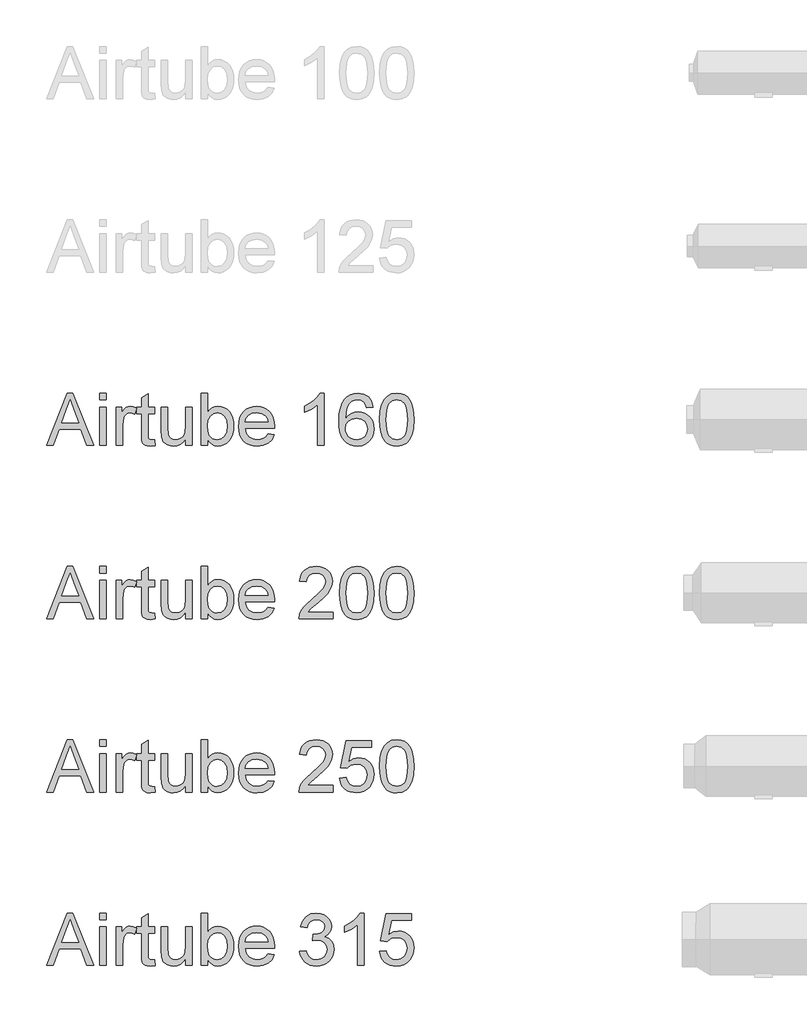
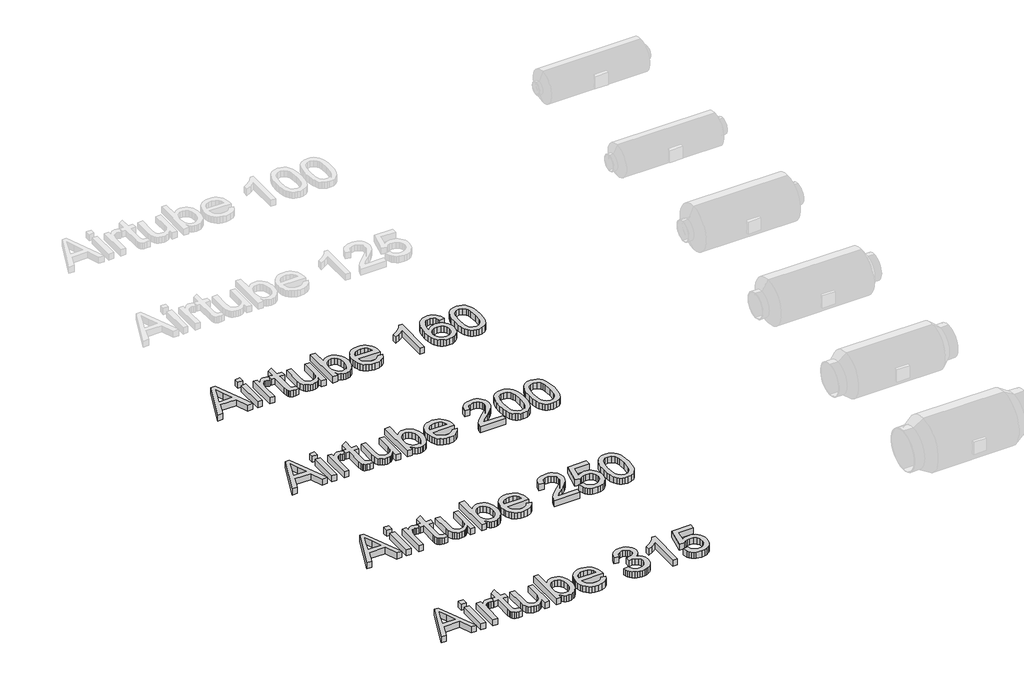
# One storey, part 27 of 74: 4 proxies.
"""IFC4 building model written with IfcOpenShell, lengths in millimetres."""

from ifc_helpers import new_model, si_unit, origin, origin_with_axes, place, context, project, spatial, polyline, outline, extrude, element, save

model = new_model("IFC4")

# Units and contexts
model_context = context("Model", 3, world=origin())
ifc_project = project(units=[si_unit("LENGTHUNIT", "METRE", prefix="MILLI")], contexts=[model_context])

# Site, building, storey
site = spatial("IfcSite", under=ifc_project)
building = spatial("IfcBuilding", under=site)
storey = spatial("IfcBuildingStorey", under=building, Elevation=0.0)

# Proxies
placement = place(None, origin())
element("IfcBuildingElementProxy", 1, Name="Generic Models", at=placement, inside=storey, context=model_context, shape_type="SweptSolid", body=[
    extrude(outline(polyline([(459.3114691, -11506.2904473), (579.6088816, -11204.9215169), (611.6881916, -11204.9215169), (731.985604, -11506.2904473), (692.1807721, -11506.2904473), (657.6734409, -11412.1126566), (533.5500558, -11412.1126566), (499.116301, -11506.2904473), (459.3114691, -11506.2904473)]), holes=[polyline([(547.3824188, -11374.4415403), (643.9146543, -11374.4415403), (616.7649631, -11300.3501064), (595.6485366, -11242.5926332), (576.8865548, -11293.8753833), (547.3824188, -11374.4415403)])]), origin_with_axes(), (0.0, 0.0, 1.0), 50.0),
    extrude(outline(polyline([(767.5230047, -11242.5926332), (767.5230047, -11204.9215169), (805.194121, -11204.9215169), (805.194121, -11242.5926332), (767.5230047, -11242.5926332)])), origin_with_axes(), (0.0, 0.0, 1.0), 50.0),
    extrude(outline(polyline([(767.5230047, -11506.2904473), (767.5230047, -11284.972639), (805.194121, -11284.972639), (805.194121, -11506.2904473), (767.5230047, -11506.2904473)])), origin_with_axes(), (0.0, 0.0, 1.0), 50.0),
    extrude(outline(polyline([(861.7007955, -11506.2904473), (861.7007955, -11284.972639), (894.6630222, -11284.972639), (894.6630222, -11317.7141366), (906.8399163, -11298.7314257), (918.0603171, -11287.547813), (929.3175062, -11282.0847654), (941.6047648, -11280.2637495), (960.3667466, -11283.1700173), (979.4230339, -11291.8888206), (966.8414697, -11325.6603877), (953.5977179, -11319.8662463), (940.353966, -11317.9348658), (929.105974, -11319.7926699), (919.0535985, -11325.3660821), (910.9326035, -11334.2320382), (905.4787529, -11345.9674738), (900.8986221, -11367.010324), (899.3719118, -11389.9661605), (899.3719118, -11506.2904473), (861.7007955, -11506.2904473)])), origin_with_axes(), (0.0, 0.0, 1.0), 50.0),
    extrude(outline(polyline([(1083.0186038, -11474.873325), (1087.7274933, -11507.3940933), (1059.5477325, -11510.9993369), (1041.4663324, -11509.4358384), (1027.9834573, -11504.745343), (1018.4553136, -11497.5164618), (1012.2381079, -11488.337806), (1008.8168053, -11472.5740625), (1007.6763712, -11445.5899181), (1007.6763712, -11322.6437553), (979.4230339, -11322.6437553), (979.4230339, -11284.972639), (1007.6763712, -11284.972639), (1007.6763712, -11231.1882913), (1045.3474875, -11209.0417952), (1045.3474875, -11284.972639), (1083.0186038, -11284.972639), (1083.0186038, -11322.6437553), (1045.3474875, -11322.6437553), (1045.3474875, -11444.4862722), (1047.3340502, -11463.9104415), (1053.7719852, -11470.7898348), (1066.6110668, -11473.3282206), (1083.0186038, -11474.873325)])), origin_with_axes(), (0.0, 0.0, 1.0), 50.0),
    extrude(outline(polyline([(1261.9564062, -11506.2904473), (1261.9564062, -11468.251449), (1248.3263783, -11486.95365), (1232.4522702, -11500.3123649), (1214.3340819, -11508.3275939), (1193.9718135, -11510.9993369), (1175.623699, -11509.1231387), (1158.5447774, -11503.4945442), (1144.2157737, -11495.0332583), (1134.1174129, -11484.658986), (1122.897012, -11456.9206836), (1120.6897201, -11421.8983176), (1120.6897201, -11284.972639), (1158.3608364, -11284.972639), (1158.3608364, -11404.1664055), (1160.6417048, -11442.5732858), (1166.1323435, -11455.3847763), (1175.5409256, -11465.1244521), (1188.2420514, -11471.2772784), (1203.6103218, -11473.3282206), (1219.8615089, -11471.2312932), (1235.0642324, -11464.9405111), (1247.5998114, -11455.0352884), (1255.8495651, -11442.0950392), (1260.4296959, -11424.3723241), (1261.9564062, -11400.1197035), (1261.9564062, -11284.972639), (1299.6275225, -11284.972639), (1299.6275225, -11506.2904473), (1261.9564062, -11506.2904473)])), origin_with_axes(), (0.0, 0.0, 1.0), 50.0),
    extrude(outline(polyline([(1389.0964238, -11506.2904473), (1351.4253075, -11506.2904473), (1351.4253075, -11204.9215169), (1389.0964238, -11204.9215169), (1389.0964238, -11316.684067), (1401.4848499, -11300.7501781), (1415.4735628, -11289.3688289), (1431.0625624, -11282.5400193), (1448.2518486, -11280.2637495), (1467.6576238, -11282.3146916), (1485.9965413, -11288.467518), (1502.2201373, -11298.3359525), (1515.2799481, -11311.5337191), (1525.5162646, -11327.932059), (1533.2693777, -11347.4022136), (1538.1530112, -11369.1348425), (1539.780889, -11392.3206052), (1538.0955296, -11419.0748233), (1533.0394514, -11442.610074), (1524.6126545, -11462.9263572), (1512.8151387, -11480.0236729), (1498.6539812, -11493.5755259), (1483.1362588, -11503.2554209), (1466.2619715, -11509.0633579), (1448.0311194, -11510.9993369), (1430.2762146, -11508.5023378), (1414.5354637, -11501.0113407), (1400.8088668, -11488.5263455), (1389.0964238, -11471.0473522), (1389.0964238, -11506.2904473)]), holes=[polyline([(1389.0964238, -11394.0864388), (1391.6715977, -11425.5035612), (1399.3971196, -11446.7671405), (1408.5251916, -11458.387613), (1419.1339887, -11466.6879506), (1431.2235107, -11471.6681531), (1444.7937578, -11473.3282206), (1466.5355837, -11468.43539), (1485.1136245, -11453.7568984), (1497.8607356, -11429.3847162), (1502.1097727, -11395.410814), (1498.0354796, -11360.940271), (1485.8126003, -11336.8440004), (1467.8139737, -11322.6621494), (1446.4124386, -11317.9348658), (1424.6706127, -11322.8276963), (1406.0925719, -11337.506188), (1393.3454608, -11361.4369117), (1389.0964238, -11394.0864388)])]), origin_with_axes(), (0.0, 0.0, 1.0), 50.0),
    extrude(outline(polyline([(1737.1127912, -11440.3659938), (1774.0481435, -11445.0748833), (1760.7400123, -11472.9051563), (1739.5040242, -11493.7088831), (1710.8184256, -11506.6767234), (1675.1614632, -11510.9993369), (1651.7871609, -11509.134635), (1630.9604415, -11503.5405294), (1612.6813049, -11494.2170201), (1596.949751, -11481.1641071), (1584.2992089, -11464.7450738), (1575.2631074, -11445.3232037), (1569.8414465, -11422.8984968), (1568.0342262, -11397.4709532), (1569.8598406, -11371.1811861), (1575.3366838, -11348.0092189), (1584.4647558, -11327.9550517), (1597.2440566, -11311.0186843), (1612.9342237, -11297.5634003), (1630.7948946, -11287.9524832), (1650.8260692, -11282.1859329), (1673.0277476, -11280.2637495), (1694.5143554, -11282.1813344), (1713.9454225, -11287.9340891), (1731.320949, -11297.5220136), (1746.6409349, -11310.9451079), (1759.1466234, -11327.8446871), (1768.0792581, -11347.8620661), (1773.438839, -11370.9972451), (1775.2253659, -11397.250224), (1775.0046367, -11407.403767), (1605.7053425, -11407.403767), (1612.2260509, -11435.601922), (1627.373592, -11456.3320724), (1649.2349796, -11469.0791835), (1675.8972272, -11473.3282206), (1695.9467959, -11471.3600519), (1712.8325795, -11465.4555459), (1726.5545779, -11455.2468205), (1737.1127912, -11440.3659938)]), holes=[polyline([(1605.7053425, -11369.7326507), (1737.5542496, -11369.7326507), (1732.459084, -11349.8302348), (1722.4710878, -11335.5932016), (1700.5085327, -11322.3494498), (1672.8805948, -11317.9348658), (1647.4875401, -11321.4573359), (1626.4906752, -11332.0247462), (1611.8949571, -11348.4966626), (1605.7053425, -11369.7326507)])]), origin_with_axes(), (0.0, 0.0, 1.0), 50.0),
    extrude(outline(polyline([(2062.4676277, -11506.2904473), (2024.7965114, -11506.2904473), (2024.7965114, -11271.4345816), (1989.1119579, -11296.8552275), (1949.4542788, -11315.8747266), (1949.4542788, -11280.2637495), (1979.0411883, -11264.1689122), (2004.6733663, -11245.0206544), (2024.8792849, -11224.6583859), (2038.187416, -11204.9215169), (2062.4676277, -11204.9215169), (2062.4676277, -11506.2904473)])), origin_with_axes(), (0.0, 0.0, 1.0), 50.0),
    extrude(outline(polyline([(2345.001, -11284.972639), (2307.3298837, -11289.6815286), (2301.2598308, -11271.0115173), (2293.0560623, -11258.2644062), (2275.9679436, -11246.5105764), (2255.3113696, -11242.5926332), (2237.8001866, -11244.8735016), (2221.3190732, -11251.7161067), (2207.1648135, -11266.1278838), (2195.6041218, -11285.9659204), (2187.7958264, -11314.0261196), (2184.8987557, -11353.1043845), (2200.0095087, -11335.4736399), (2218.1184999, -11323.0484255), (2238.2140539, -11315.6815886), (2259.2844951, -11313.2259763), (2277.3842893, -11314.9044379), (2294.0861319, -11319.9398227), (2309.3900229, -11328.3321307), (2323.2959623, -11340.0813619), (2334.8520555, -11354.4885406), (2343.1064078, -11370.8546908), (2348.0590191, -11389.1798127), (2349.7098896, -11409.4639062), (2346.6012867, -11436.4388535), (2337.2754781, -11461.4456321), (2322.505016, -11482.6540292), (2303.0624526, -11498.2338316), (2279.8307046, -11507.8079606), (2253.6926888, -11510.9993369), (2231.2357923, -11508.8840154), (2210.953998, -11502.538051), (2192.8473061, -11491.9614436), (2176.9157164, -11477.1541933), (2163.9271827, -11457.4909007), (2154.6496587, -11432.3461663), (2149.0831442, -11401.7199902), (2147.2276394, -11365.6123724), (2149.2877786, -11325.1315573), (2155.4681961, -11290.5828395), (2165.768892, -11261.9662188), (2180.1898662, -11239.2816952), (2195.8202525, -11224.2491172), (2213.9430392, -11213.5115615), (2234.5582265, -11207.069028), (2257.6658144, -11204.9215169), (2290.7200116, -11210.2374117), (2317.1891212, -11226.1850962), (2335.7303737, -11251.5137716), (2345.001, -11284.972639)]), holes=[polyline([(2184.8987557, -11408.875295), (2187.0784565, -11425.5679405), (2193.617559, -11441.506428), (2203.7711021, -11455.2100323), (2216.7941247, -11465.1980285), (2232.511883, -11471.2956725), (2250.7496329, -11473.3282206), (2275.6092587, -11469.1159717), (2295.1529897, -11456.4792252), (2307.8173274, -11436.6135975), (2312.0387733, -11410.714705), (2307.8725097, -11385.8550792), (2295.3737189, -11366.8999594), (2275.4988941, -11354.8978093), (2249.2045285, -11350.8970926), (2224.3816909, -11354.8978093), (2203.6239493, -11366.8999594), (2189.5800541, -11385.3952267), (2184.8987557, -11408.875295)])]), origin_with_axes(), (0.0, 0.0, 1.0), 50.0),
    extrude(outline(polyline([(2382.6721163, -11358.0340033), (2385.4404283, -11309.7954767), (2393.7453644, -11271.324217), (2407.504151, -11242.0316132), (2426.6340148, -11221.3290539), (2451.2729114, -11209.0234011), (2481.5587966, -11204.9215169), (2504.7721505, -11207.3495381), (2525.5574833, -11214.6336016), (2542.9399075, -11226.4885989), (2555.9445361, -11242.6294214), (2565.7669853, -11262.9181134), (2573.6028718, -11287.2167192), (2578.7348257, -11318.0728216), (2580.4454769, -11358.0340033), (2577.7047561, -11405.9966184), (2569.4825935, -11444.3759076), (2555.8065803, -11473.6961026), (2536.7043077, -11494.4814353), (2512.0102288, -11506.8698615), (2481.5587966, -11510.9993369), (2460.8102521, -11509.2059122), (2442.4161523, -11503.825638), (2426.3764974, -11494.8585143), (2412.6912871, -11482.3045413), (2399.5578999, -11459.6108207), (2390.176909, -11431.3344908), (2384.5483145, -11397.4755517), (2382.6721163, -11358.0340033)]), holes=[polyline([(2420.3432326, -11357.9604269), (2424.7578166, -11417.2170193), (2430.2760465, -11437.4850179), (2438.0015684, -11451.5128183), (2457.7200433, -11467.87437), (2481.5587966, -11473.3282206), (2505.3975499, -11467.8559759), (2525.1160249, -11451.4392419), (2532.8415468, -11437.3884489), (2538.3597767, -11417.1250488), (2542.7743606, -11357.9604269), (2538.5069295, -11300.0374067), (2533.1726406, -11279.8360867), (2525.7046361, -11265.4748933), (2506.0229493, -11248.3131982), (2481.1173382, -11242.5926332), (2457.5361024, -11247.6326165), (2438.5901796, -11262.7525665), (2430.6071403, -11278.3875513), (2424.9049694, -11299.4671897), (2420.3432326, -11357.9604269)])]), origin_with_axes(), (0.0, 0.0, 1.0), 50.0),
])
element("IfcBuildingElementProxy", 2, Name="Generic Models", at=placement, inside=storey, context=model_context, shape_type="SweptSolid", body=[
    extrude(outline(polyline([(459.3114691, -12506.2904473), (579.6088816, -12204.9215169), (611.6881916, -12204.9215169), (731.985604, -12506.2904473), (692.1807721, -12506.2904473), (657.6734409, -12412.1126566), (533.5500558, -12412.1126566), (499.116301, -12506.2904473), (459.3114691, -12506.2904473)]), holes=[polyline([(547.3824188, -12374.4415403), (643.9146543, -12374.4415403), (616.7649631, -12300.3501064), (595.6485366, -12242.5926332), (576.8865548, -12293.8753833), (547.3824188, -12374.4415403)])]), origin_with_axes(), (0.0, 0.0, 1.0), 50.0),
    extrude(outline(polyline([(767.5230047, -12242.5926332), (767.5230047, -12204.9215169), (805.194121, -12204.9215169), (805.194121, -12242.5926332), (767.5230047, -12242.5926332)])), origin_with_axes(), (0.0, 0.0, 1.0), 50.0),
    extrude(outline(polyline([(767.5230047, -12506.2904473), (767.5230047, -12284.972639), (805.194121, -12284.972639), (805.194121, -12506.2904473), (767.5230047, -12506.2904473)])), origin_with_axes(), (0.0, 0.0, 1.0), 50.0),
    extrude(outline(polyline([(861.7007955, -12506.2904473), (861.7007955, -12284.972639), (894.6630222, -12284.972639), (894.6630222, -12317.7141366), (906.8399163, -12298.7314257), (918.0603171, -12287.547813), (929.3175062, -12282.0847654), (941.6047648, -12280.2637495), (960.3667466, -12283.1700173), (979.4230339, -12291.8888206), (966.8414697, -12325.6603877), (953.5977179, -12319.8662463), (940.353966, -12317.9348658), (929.105974, -12319.7926699), (919.0535985, -12325.3660821), (910.9326035, -12334.2320382), (905.4787529, -12345.9674738), (900.8986221, -12367.010324), (899.3719118, -12389.9661605), (899.3719118, -12506.2904473), (861.7007955, -12506.2904473)])), origin_with_axes(), (0.0, 0.0, 1.0), 50.0),
    extrude(outline(polyline([(1083.0186038, -12474.873325), (1087.7274933, -12507.3940933), (1059.5477325, -12510.9993369), (1041.4663324, -12509.4358384), (1027.9834573, -12504.745343), (1018.4553136, -12497.5164618), (1012.2381079, -12488.337806), (1008.8168053, -12472.5740625), (1007.6763712, -12445.5899181), (1007.6763712, -12322.6437553), (979.4230339, -12322.6437553), (979.4230339, -12284.972639), (1007.6763712, -12284.972639), (1007.6763712, -12231.1882913), (1045.3474875, -12209.0417952), (1045.3474875, -12284.972639), (1083.0186038, -12284.972639), (1083.0186038, -12322.6437553), (1045.3474875, -12322.6437553), (1045.3474875, -12444.4862722), (1047.3340502, -12463.9104415), (1053.7719852, -12470.7898348), (1066.6110668, -12473.3282206), (1083.0186038, -12474.873325)])), origin_with_axes(), (0.0, 0.0, 1.0), 50.0),
    extrude(outline(polyline([(1261.9564062, -12506.2904473), (1261.9564062, -12468.251449), (1248.3263783, -12486.95365), (1232.4522702, -12500.3123649), (1214.3340819, -12508.3275939), (1193.9718135, -12510.9993369), (1175.623699, -12509.1231387), (1158.5447774, -12503.4945442), (1144.2157737, -12495.0332583), (1134.1174129, -12484.658986), (1122.897012, -12456.9206836), (1120.6897201, -12421.8983176), (1120.6897201, -12284.972639), (1158.3608364, -12284.972639), (1158.3608364, -12404.1664055), (1160.6417048, -12442.5732858), (1166.1323435, -12455.3847763), (1175.5409256, -12465.1244521), (1188.2420514, -12471.2772784), (1203.6103218, -12473.3282206), (1219.8615089, -12471.2312932), (1235.0642324, -12464.9405111), (1247.5998114, -12455.0352884), (1255.8495651, -12442.0950392), (1260.4296959, -12424.3723241), (1261.9564062, -12400.1197035), (1261.9564062, -12284.972639), (1299.6275225, -12284.972639), (1299.6275225, -12506.2904473), (1261.9564062, -12506.2904473)])), origin_with_axes(), (0.0, 0.0, 1.0), 50.0),
    extrude(outline(polyline([(1389.0964238, -12506.2904473), (1351.4253075, -12506.2904473), (1351.4253075, -12204.9215169), (1389.0964238, -12204.9215169), (1389.0964238, -12316.684067), (1401.4848499, -12300.7501781), (1415.4735628, -12289.3688289), (1431.0625624, -12282.5400193), (1448.2518486, -12280.2637495), (1467.6576238, -12282.3146916), (1485.9965413, -12288.467518), (1502.2201373, -12298.3359525), (1515.2799481, -12311.5337191), (1525.5162646, -12327.932059), (1533.2693777, -12347.4022136), (1538.1530112, -12369.1348425), (1539.780889, -12392.3206052), (1538.0955296, -12419.0748233), (1533.0394514, -12442.610074), (1524.6126545, -12462.9263572), (1512.8151387, -12480.0236729), (1498.6539812, -12493.5755259), (1483.1362588, -12503.2554209), (1466.2619715, -12509.0633579), (1448.0311194, -12510.9993369), (1430.2762146, -12508.5023378), (1414.5354637, -12501.0113407), (1400.8088668, -12488.5263455), (1389.0964238, -12471.0473522), (1389.0964238, -12506.2904473)]), holes=[polyline([(1389.0964238, -12394.0864388), (1391.6715977, -12425.5035612), (1399.3971196, -12446.7671405), (1408.5251916, -12458.387613), (1419.1339887, -12466.6879506), (1431.2235107, -12471.6681531), (1444.7937578, -12473.3282206), (1466.5355837, -12468.43539), (1485.1136245, -12453.7568984), (1497.8607356, -12429.3847162), (1502.1097727, -12395.410814), (1498.0354796, -12360.940271), (1485.8126003, -12336.8440004), (1467.8139737, -12322.6621494), (1446.4124386, -12317.9348658), (1424.6706127, -12322.8276963), (1406.0925719, -12337.506188), (1393.3454608, -12361.4369117), (1389.0964238, -12394.0864388)])]), origin_with_axes(), (0.0, 0.0, 1.0), 50.0),
    extrude(outline(polyline([(1737.1127912, -12440.3659938), (1774.0481435, -12445.0748833), (1760.7400123, -12472.9051563), (1739.5040242, -12493.7088831), (1710.8184256, -12506.6767234), (1675.1614632, -12510.9993369), (1651.7871609, -12509.134635), (1630.9604415, -12503.5405294), (1612.6813049, -12494.2170201), (1596.949751, -12481.1641071), (1584.2992089, -12464.7450738), (1575.2631074, -12445.3232037), (1569.8414465, -12422.8984968), (1568.0342262, -12397.4709532), (1569.8598406, -12371.1811861), (1575.3366838, -12348.0092189), (1584.4647558, -12327.9550517), (1597.2440566, -12311.0186843), (1612.9342237, -12297.5634003), (1630.7948946, -12287.9524832), (1650.8260692, -12282.1859329), (1673.0277476, -12280.2637495), (1694.5143554, -12282.1813344), (1713.9454225, -12287.9340891), (1731.320949, -12297.5220136), (1746.6409349, -12310.9451079), (1759.1466234, -12327.8446871), (1768.0792581, -12347.8620661), (1773.438839, -12370.9972451), (1775.2253659, -12397.250224), (1775.0046367, -12407.403767), (1605.7053425, -12407.403767), (1612.2260509, -12435.601922), (1627.373592, -12456.3320724), (1649.2349796, -12469.0791835), (1675.8972272, -12473.3282206), (1695.9467959, -12471.3600519), (1712.8325795, -12465.4555459), (1726.5545779, -12455.2468205), (1737.1127912, -12440.3659938)]), holes=[polyline([(1605.7053425, -12369.7326507), (1737.5542496, -12369.7326507), (1732.459084, -12349.8302348), (1722.4710878, -12335.5932016), (1700.5085327, -12322.3494498), (1672.8805948, -12317.9348658), (1647.4875401, -12321.4573359), (1626.4906752, -12332.0247462), (1611.8949571, -12348.4966626), (1605.7053425, -12369.7326507)])]), origin_with_axes(), (0.0, 0.0, 1.0), 50.0),
    extrude(outline(polyline([(2114.2654127, -12468.619331), (2114.2654127, -12506.2904473), (1916.492052, -12506.2904473), (1920.538754, -12480.3179785), (1929.8277744, -12460.0200894), (1943.4210141, -12440.3292056), (1963.0843067, -12419.7186168), (1990.5834859, -12396.6616128), (2031.2344463, -12360.553995), (2055.6250226, -12333.9009444), (2067.8203108, -12312.2694831), (2071.8854068, -12291.226633), (2068.050237, -12272.3634837), (2056.5447276, -12256.6825136), (2038.8588007, -12246.1151033), (2016.4823783, -12242.5926332), (1992.9839159, -12246.0323299), (1974.7277719, -12256.3514198), (1962.946351, -12272.7405627), (1958.8720579, -12294.3904181), (1921.2009416, -12289.6815286), (1930.3336121, -12253.242817), (1938.8799707, -12238.7068796), (1950.0796782, -12226.6265546), (1963.6752172, -12217.1306006), (1979.4090703, -12210.3477763), (2017.2917187, -12204.9215169), (2037.4815425, -12206.4298331), (2055.4502787, -12210.9547816), (2071.1979273, -12218.4963625), (2084.7244884, -12229.0545758), (2095.5885036, -12241.8476722), (2103.3485144, -12256.0939024), (2108.0045209, -12271.7932666), (2109.5565231, -12288.9457646), (2107.88266, -12306.9627853), (2102.8610708, -12324.6671063), (2093.9491295, -12342.67493), (2080.6042101, -12361.6024586), (2059.3314337, -12384.1996102), (2026.6359214, -12413.2163026), (1983.2994224, -12449.4526791), (1966.3032742, -12468.619331), (2114.2654127, -12468.619331)])), origin_with_axes(), (0.0, 0.0, 1.0), 50.0),
    extrude(outline(polyline([(2151.936529, -12358.0340033), (2154.704841, -12309.7954767), (2163.009777, -12271.324217), (2176.7685636, -12242.0316132), (2195.8984274, -12221.3290539), (2220.537324, -12209.0234011), (2250.8232093, -12204.9215169), (2274.0365632, -12207.3495381), (2294.8218959, -12214.6336016), (2312.2043202, -12226.4885989), (2325.2089487, -12242.6294214), (2335.031398, -12262.9181134), (2342.8672845, -12287.2167192), (2347.9992383, -12318.0728216), (2349.7098896, -12358.0340033), (2346.9691687, -12405.9966184), (2338.7470061, -12444.3759076), (2325.0709929, -12473.6961026), (2305.9687203, -12494.4814353), (2281.2746414, -12506.8698615), (2250.8232093, -12510.9993369), (2230.0746647, -12509.2059122), (2211.680565, -12503.825638), (2195.64091, -12494.8585143), (2181.9556998, -12482.3045413), (2168.8223125, -12459.6108207), (2159.4413217, -12431.3344908), (2153.8127271, -12397.4755517), (2151.936529, -12358.0340033)]), holes=[polyline([(2189.6076453, -12357.9604269), (2194.0222292, -12417.2170193), (2199.5404591, -12437.4850179), (2207.265981, -12451.5128183), (2226.984456, -12467.87437), (2250.8232093, -12473.3282206), (2274.6619625, -12467.8559759), (2294.3804375, -12451.4392419), (2302.1059594, -12437.3884489), (2307.6241893, -12417.1250488), (2312.0387733, -12357.9604269), (2307.7713421, -12300.0374067), (2302.4370532, -12279.8360867), (2294.9690487, -12265.4748933), (2275.2873619, -12248.3131982), (2250.3817509, -12242.5926332), (2226.800515, -12247.6326165), (2207.8545922, -12262.7525665), (2199.8715529, -12278.3875513), (2194.169382, -12299.4671897), (2189.6076453, -12357.9604269)])]), origin_with_axes(), (0.0, 0.0, 1.0), 50.0),
    extrude(outline(polyline([(2382.6721163, -12358.0340033), (2385.4404283, -12309.7954767), (2393.7453644, -12271.324217), (2407.504151, -12242.0316132), (2426.6340148, -12221.3290539), (2451.2729114, -12209.0234011), (2481.5587966, -12204.9215169), (2504.7721505, -12207.3495381), (2525.5574833, -12214.6336016), (2542.9399075, -12226.4885989), (2555.9445361, -12242.6294214), (2565.7669853, -12262.9181134), (2573.6028718, -12287.2167192), (2578.7348257, -12318.0728216), (2580.4454769, -12358.0340033), (2577.7047561, -12405.9966184), (2569.4825935, -12444.3759076), (2555.8065803, -12473.6961026), (2536.7043077, -12494.4814353), (2512.0102288, -12506.8698615), (2481.5587966, -12510.9993369), (2460.8102521, -12509.2059122), (2442.4161523, -12503.825638), (2426.3764974, -12494.8585143), (2412.6912871, -12482.3045413), (2399.5578999, -12459.6108207), (2390.176909, -12431.3344908), (2384.5483145, -12397.4755517), (2382.6721163, -12358.0340033)]), holes=[polyline([(2420.3432326, -12357.9604269), (2424.7578166, -12417.2170193), (2430.2760465, -12437.4850179), (2438.0015684, -12451.5128183), (2457.7200433, -12467.87437), (2481.5587966, -12473.3282206), (2505.3975499, -12467.8559759), (2525.1160249, -12451.4392419), (2532.8415468, -12437.3884489), (2538.3597767, -12417.1250488), (2542.7743606, -12357.9604269), (2538.5069295, -12300.0374067), (2533.1726406, -12279.8360867), (2525.7046361, -12265.4748933), (2506.0229493, -12248.3131982), (2481.1173382, -12242.5926332), (2457.5361024, -12247.6326165), (2438.5901796, -12262.7525665), (2430.6071403, -12278.3875513), (2424.9049694, -12299.4671897), (2420.3432326, -12357.9604269)])]), origin_with_axes(), (0.0, 0.0, 1.0), 50.0),
])
element("IfcBuildingElementProxy", 3, Name="Generic Models", at=placement, inside=storey, context=model_context, shape_type="SweptSolid", body=[
    extrude(outline(polyline([(459.3114691, -13506.2904473), (579.6088816, -13204.9215169), (611.6881916, -13204.9215169), (731.985604, -13506.2904473), (692.1807721, -13506.2904473), (657.6734409, -13412.1126566), (533.5500558, -13412.1126566), (499.116301, -13506.2904473), (459.3114691, -13506.2904473)]), holes=[polyline([(547.3824188, -13374.4415403), (643.9146543, -13374.4415403), (616.7649631, -13300.3501064), (595.6485366, -13242.5926332), (576.8865548, -13293.8753833), (547.3824188, -13374.4415403)])]), origin_with_axes(), (0.0, 0.0, 1.0), 50.0),
    extrude(outline(polyline([(767.5230047, -13242.5926332), (767.5230047, -13204.9215169), (805.194121, -13204.9215169), (805.194121, -13242.5926332), (767.5230047, -13242.5926332)])), origin_with_axes(), (0.0, 0.0, 1.0), 50.0),
    extrude(outline(polyline([(767.5230047, -13506.2904473), (767.5230047, -13284.972639), (805.194121, -13284.972639), (805.194121, -13506.2904473), (767.5230047, -13506.2904473)])), origin_with_axes(), (0.0, 0.0, 1.0), 50.0),
    extrude(outline(polyline([(861.7007955, -13506.2904473), (861.7007955, -13284.972639), (894.6630222, -13284.972639), (894.6630222, -13317.7141366), (906.8399163, -13298.7314257), (918.0603171, -13287.547813), (929.3175062, -13282.0847654), (941.6047648, -13280.2637495), (960.3667466, -13283.1700173), (979.4230339, -13291.8888206), (966.8414697, -13325.6603877), (953.5977179, -13319.8662463), (940.353966, -13317.9348658), (929.105974, -13319.7926699), (919.0535985, -13325.3660821), (910.9326035, -13334.2320382), (905.4787529, -13345.9674738), (900.8986221, -13367.010324), (899.3719118, -13389.9661605), (899.3719118, -13506.2904473), (861.7007955, -13506.2904473)])), origin_with_axes(), (0.0, 0.0, 1.0), 50.0),
    extrude(outline(polyline([(1083.0186038, -13474.873325), (1087.7274933, -13507.3940933), (1059.5477325, -13510.9993369), (1041.4663324, -13509.4358384), (1027.9834573, -13504.745343), (1018.4553136, -13497.5164618), (1012.2381079, -13488.337806), (1008.8168053, -13472.5740625), (1007.6763712, -13445.5899181), (1007.6763712, -13322.6437553), (979.4230339, -13322.6437553), (979.4230339, -13284.972639), (1007.6763712, -13284.972639), (1007.6763712, -13231.1882913), (1045.3474875, -13209.0417952), (1045.3474875, -13284.972639), (1083.0186038, -13284.972639), (1083.0186038, -13322.6437553), (1045.3474875, -13322.6437553), (1045.3474875, -13444.4862722), (1047.3340502, -13463.9104415), (1053.7719852, -13470.7898348), (1066.6110668, -13473.3282206), (1083.0186038, -13474.873325)])), origin_with_axes(), (0.0, 0.0, 1.0), 50.0),
    extrude(outline(polyline([(1261.9564062, -13506.2904473), (1261.9564062, -13468.251449), (1248.3263783, -13486.95365), (1232.4522702, -13500.3123649), (1214.3340819, -13508.3275939), (1193.9718135, -13510.9993369), (1175.623699, -13509.1231387), (1158.5447774, -13503.4945442), (1144.2157737, -13495.0332583), (1134.1174129, -13484.658986), (1122.897012, -13456.9206836), (1120.6897201, -13421.8983176), (1120.6897201, -13284.972639), (1158.3608364, -13284.972639), (1158.3608364, -13404.1664055), (1160.6417048, -13442.5732858), (1166.1323435, -13455.3847763), (1175.5409256, -13465.1244521), (1188.2420514, -13471.2772784), (1203.6103218, -13473.3282206), (1219.8615089, -13471.2312932), (1235.0642324, -13464.9405111), (1247.5998114, -13455.0352884), (1255.8495651, -13442.0950392), (1260.4296959, -13424.3723241), (1261.9564062, -13400.1197035), (1261.9564062, -13284.972639), (1299.6275225, -13284.972639), (1299.6275225, -13506.2904473), (1261.9564062, -13506.2904473)])), origin_with_axes(), (0.0, 0.0, 1.0), 50.0),
    extrude(outline(polyline([(1389.0964238, -13506.2904473), (1351.4253075, -13506.2904473), (1351.4253075, -13204.9215169), (1389.0964238, -13204.9215169), (1389.0964238, -13316.684067), (1401.4848499, -13300.7501781), (1415.4735628, -13289.3688289), (1431.0625624, -13282.5400193), (1448.2518486, -13280.2637495), (1467.6576238, -13282.3146916), (1485.9965413, -13288.467518), (1502.2201373, -13298.3359525), (1515.2799481, -13311.5337191), (1525.5162646, -13327.932059), (1533.2693777, -13347.4022136), (1538.1530112, -13369.1348425), (1539.780889, -13392.3206052), (1538.0955296, -13419.0748233), (1533.0394514, -13442.610074), (1524.6126545, -13462.9263572), (1512.8151387, -13480.0236729), (1498.6539812, -13493.5755259), (1483.1362588, -13503.2554209), (1466.2619715, -13509.0633579), (1448.0311194, -13510.9993369), (1430.2762146, -13508.5023378), (1414.5354637, -13501.0113407), (1400.8088668, -13488.5263455), (1389.0964238, -13471.0473522), (1389.0964238, -13506.2904473)]), holes=[polyline([(1389.0964238, -13394.0864388), (1391.6715977, -13425.5035612), (1399.3971196, -13446.7671405), (1408.5251916, -13458.387613), (1419.1339887, -13466.6879506), (1431.2235107, -13471.6681531), (1444.7937578, -13473.3282206), (1466.5355837, -13468.43539), (1485.1136245, -13453.7568984), (1497.8607356, -13429.3847162), (1502.1097727, -13395.410814), (1498.0354796, -13360.940271), (1485.8126003, -13336.8440004), (1467.8139737, -13322.6621494), (1446.4124386, -13317.9348658), (1424.6706127, -13322.8276963), (1406.0925719, -13337.506188), (1393.3454608, -13361.4369117), (1389.0964238, -13394.0864388)])]), origin_with_axes(), (0.0, 0.0, 1.0), 50.0),
    extrude(outline(polyline([(1737.1127912, -13440.3659938), (1774.0481435, -13445.0748833), (1760.7400123, -13472.9051563), (1739.5040242, -13493.7088831), (1710.8184256, -13506.6767234), (1675.1614632, -13510.9993369), (1651.7871609, -13509.134635), (1630.9604415, -13503.5405294), (1612.6813049, -13494.2170201), (1596.949751, -13481.1641071), (1584.2992089, -13464.7450738), (1575.2631074, -13445.3232037), (1569.8414465, -13422.8984968), (1568.0342262, -13397.4709532), (1569.8598406, -13371.1811861), (1575.3366838, -13348.0092189), (1584.4647558, -13327.9550517), (1597.2440566, -13311.0186843), (1612.9342237, -13297.5634003), (1630.7948946, -13287.9524832), (1650.8260692, -13282.1859329), (1673.0277476, -13280.2637495), (1694.5143554, -13282.1813344), (1713.9454225, -13287.9340891), (1731.320949, -13297.5220136), (1746.6409349, -13310.9451079), (1759.1466234, -13327.8446871), (1768.0792581, -13347.8620661), (1773.438839, -13370.9972451), (1775.2253659, -13397.250224), (1775.0046367, -13407.403767), (1605.7053425, -13407.403767), (1612.2260509, -13435.601922), (1627.373592, -13456.3320724), (1649.2349796, -13469.0791835), (1675.8972272, -13473.3282206), (1695.9467959, -13471.3600519), (1712.8325795, -13465.4555459), (1726.5545779, -13455.2468205), (1737.1127912, -13440.3659938)]), holes=[polyline([(1605.7053425, -13369.7326507), (1737.5542496, -13369.7326507), (1732.459084, -13349.8302348), (1722.4710878, -13335.5932016), (1700.5085327, -13322.3494498), (1672.8805948, -13317.9348658), (1647.4875401, -13321.4573359), (1626.4906752, -13332.0247462), (1611.8949571, -13348.4966626), (1605.7053425, -13369.7326507)])]), origin_with_axes(), (0.0, 0.0, 1.0), 50.0),
    extrude(outline(polyline([(2114.2654127, -13468.619331), (2114.2654127, -13506.2904473), (1916.492052, -13506.2904473), (1920.538754, -13480.3179785), (1929.8277744, -13460.0200894), (1943.4210141, -13440.3292056), (1963.0843067, -13419.7186168), (1990.5834859, -13396.6616128), (2031.2344463, -13360.553995), (2055.6250226, -13333.9009444), (2067.8203108, -13312.2694831), (2071.8854068, -13291.226633), (2068.050237, -13272.3634837), (2056.5447276, -13256.6825136), (2038.8588007, -13246.1151033), (2016.4823783, -13242.5926332), (1992.9839159, -13246.0323299), (1974.7277719, -13256.3514198), (1962.946351, -13272.7405627), (1958.8720579, -13294.3904181), (1921.2009416, -13289.6815286), (1930.3336121, -13253.242817), (1938.8799707, -13238.7068796), (1950.0796782, -13226.6265546), (1963.6752172, -13217.1306006), (1979.4090703, -13210.3477763), (2017.2917187, -13204.9215169), (2037.4815425, -13206.4298331), (2055.4502787, -13210.9547816), (2071.1979273, -13218.4963625), (2084.7244884, -13229.0545758), (2095.5885036, -13241.8476722), (2103.3485144, -13256.0939024), (2108.0045209, -13271.7932666), (2109.5565231, -13288.9457646), (2107.88266, -13306.9627853), (2102.8610708, -13324.6671063), (2093.9491295, -13342.67493), (2080.6042101, -13361.6024586), (2059.3314337, -13384.1996102), (2026.6359214, -13413.2163026), (1983.2994224, -13449.4526791), (1966.3032742, -13468.619331), (2114.2654127, -13468.619331)])), origin_with_axes(), (0.0, 0.0, 1.0), 50.0),
    extrude(outline(polyline([(2151.936529, -13426.2393252), (2189.6076453, -13421.5304357), (2196.5238268, -13444.1459813), (2208.5903562, -13460.3419861), (2225.7520513, -13470.081662), (2247.9537297, -13473.3282206), (2274.9562681, -13468.8124691), (2295.1897779, -13455.2652146), (2307.8265244, -13434.2499556), (2312.0387733, -13407.3301906), (2308.0932389, -13381.9831212), (2296.2566357, -13362.59574), (2276.4369932, -13350.2900873), (2248.5423409, -13346.188203), (2230.2678028, -13347.8252779), (2215.4697495, -13352.7365026), (2194.3165348, -13369.7326507), (2156.6454185, -13365.0237612), (2189.6076453, -13209.6304064), (2335.5832209, -13209.6304064), (2335.5832209, -13247.3015227), (2220.0682745, -13247.3015227), (2203.9550431, -13330.2957008), (2230.865611, -13313.9617403), (2259.063766, -13308.5170867), (2277.4095812, -13310.2047454), (2294.2608758, -13315.2677213), (2309.6176499, -13323.7060146), (2323.4799033, -13335.5196252), (2334.9555223, -13349.9865846), (2343.152393, -13366.3849246), (2348.0705154, -13384.714645), (2349.7098896, -13404.9757459), (2343.8053835, -13442.6468622), (2336.424751, -13459.4406753), (2326.0918655, -13474.873325), (2310.4384866, -13490.6784552), (2292.1731455, -13501.9678339), (2271.2958423, -13508.7414611), (2247.8065769, -13510.9993369), (2210.8068452, -13505.1959984), (2195.1281745, -13497.9418253), (2181.3303004, -13487.785983), (2169.8500829, -13475.2343092), (2161.1243818, -13460.7926416), (2151.936529, -13426.2393252)])), origin_with_axes(), (0.0, 0.0, 1.0), 50.0),
    extrude(outline(polyline([(2382.6721163, -13358.0340033), (2385.4404283, -13309.7954767), (2393.7453644, -13271.324217), (2407.504151, -13242.0316132), (2426.6340148, -13221.3290539), (2451.2729114, -13209.0234011), (2481.5587966, -13204.9215169), (2504.7721505, -13207.3495381), (2525.5574833, -13214.6336016), (2542.9399075, -13226.4885989), (2555.9445361, -13242.6294214), (2565.7669853, -13262.9181134), (2573.6028718, -13287.2167192), (2578.7348257, -13318.0728216), (2580.4454769, -13358.0340033), (2577.7047561, -13405.9966184), (2569.4825935, -13444.3759076), (2555.8065803, -13473.6961026), (2536.7043077, -13494.4814353), (2512.0102288, -13506.8698615), (2481.5587966, -13510.9993369), (2460.8102521, -13509.2059122), (2442.4161523, -13503.825638), (2426.3764974, -13494.8585143), (2412.6912871, -13482.3045413), (2399.5578999, -13459.6108207), (2390.176909, -13431.3344908), (2384.5483145, -13397.4755517), (2382.6721163, -13358.0340033)]), holes=[polyline([(2420.3432326, -13357.9604269), (2424.7578166, -13417.2170193), (2430.2760465, -13437.4850179), (2438.0015684, -13451.5128183), (2457.7200433, -13467.87437), (2481.5587966, -13473.3282206), (2505.3975499, -13467.8559759), (2525.1160249, -13451.4392419), (2532.8415468, -13437.3884489), (2538.3597767, -13417.1250488), (2542.7743606, -13357.9604269), (2538.5069295, -13300.0374067), (2533.1726406, -13279.8360867), (2525.7046361, -13265.4748933), (2506.0229493, -13248.3131982), (2481.1173382, -13242.5926332), (2457.5361024, -13247.6326165), (2438.5901796, -13262.7525665), (2430.6071403, -13278.3875513), (2424.9049694, -13299.4671897), (2420.3432326, -13357.9604269)])]), origin_with_axes(), (0.0, 0.0, 1.0), 50.0),
])
element("IfcBuildingElementProxy", 4, Name="Generic Models", at=placement, inside=storey, context=model_context, shape_type="SweptSolid", body=[
    extrude(outline(polyline([(459.3114691, -14506.2904473), (579.6088816, -14204.9215169), (611.6881916, -14204.9215169), (731.985604, -14506.2904473), (692.1807721, -14506.2904473), (657.6734409, -14412.1126566), (533.5500558, -14412.1126566), (499.116301, -14506.2904473), (459.3114691, -14506.2904473)]), holes=[polyline([(547.3824188, -14374.4415403), (643.9146543, -14374.4415403), (616.7649631, -14300.3501064), (595.6485366, -14242.5926332), (576.8865548, -14293.8753833), (547.3824188, -14374.4415403)])]), origin_with_axes(), (0.0, 0.0, 1.0), 50.0),
    extrude(outline(polyline([(767.5230047, -14242.5926332), (767.5230047, -14204.9215169), (805.194121, -14204.9215169), (805.194121, -14242.5926332), (767.5230047, -14242.5926332)])), origin_with_axes(), (0.0, 0.0, 1.0), 50.0),
    extrude(outline(polyline([(767.5230047, -14506.2904473), (767.5230047, -14284.972639), (805.194121, -14284.972639), (805.194121, -14506.2904473), (767.5230047, -14506.2904473)])), origin_with_axes(), (0.0, 0.0, 1.0), 50.0),
    extrude(outline(polyline([(861.7007955, -14506.2904473), (861.7007955, -14284.972639), (894.6630222, -14284.972639), (894.6630222, -14317.7141366), (906.8399163, -14298.7314257), (918.0603171, -14287.547813), (929.3175062, -14282.0847654), (941.6047648, -14280.2637495), (960.3667466, -14283.1700173), (979.4230339, -14291.8888206), (966.8414697, -14325.6603877), (953.5977179, -14319.8662463), (940.353966, -14317.9348658), (929.105974, -14319.7926699), (919.0535985, -14325.3660821), (910.9326035, -14334.2320382), (905.4787529, -14345.9674738), (900.8986221, -14367.010324), (899.3719118, -14389.9661605), (899.3719118, -14506.2904473), (861.7007955, -14506.2904473)])), origin_with_axes(), (0.0, 0.0, 1.0), 50.0),
    extrude(outline(polyline([(1083.0186038, -14474.873325), (1087.7274933, -14507.3940933), (1059.5477325, -14510.9993369), (1041.4663324, -14509.4358384), (1027.9834573, -14504.745343), (1018.4553136, -14497.5164618), (1012.2381079, -14488.337806), (1008.8168053, -14472.5740625), (1007.6763712, -14445.5899181), (1007.6763712, -14322.6437553), (979.4230339, -14322.6437553), (979.4230339, -14284.972639), (1007.6763712, -14284.972639), (1007.6763712, -14231.1882913), (1045.3474875, -14209.0417952), (1045.3474875, -14284.972639), (1083.0186038, -14284.972639), (1083.0186038, -14322.6437553), (1045.3474875, -14322.6437553), (1045.3474875, -14444.4862722), (1047.3340502, -14463.9104415), (1053.7719852, -14470.7898348), (1066.6110668, -14473.3282206), (1083.0186038, -14474.873325)])), origin_with_axes(), (0.0, 0.0, 1.0), 50.0),
    extrude(outline(polyline([(1261.9564062, -14506.2904473), (1261.9564062, -14468.251449), (1248.3263783, -14486.95365), (1232.4522702, -14500.3123649), (1214.3340819, -14508.3275939), (1193.9718135, -14510.9993369), (1175.623699, -14509.1231387), (1158.5447774, -14503.4945442), (1144.2157737, -14495.0332583), (1134.1174129, -14484.658986), (1122.897012, -14456.9206836), (1120.6897201, -14421.8983176), (1120.6897201, -14284.972639), (1158.3608364, -14284.972639), (1158.3608364, -14404.1664055), (1160.6417048, -14442.5732858), (1166.1323435, -14455.3847763), (1175.5409256, -14465.1244521), (1188.2420514, -14471.2772784), (1203.6103218, -14473.3282206), (1219.8615089, -14471.2312932), (1235.0642324, -14464.9405111), (1247.5998114, -14455.0352884), (1255.8495651, -14442.0950392), (1260.4296959, -14424.3723241), (1261.9564062, -14400.1197035), (1261.9564062, -14284.972639), (1299.6275225, -14284.972639), (1299.6275225, -14506.2904473), (1261.9564062, -14506.2904473)])), origin_with_axes(), (0.0, 0.0, 1.0), 50.0),
    extrude(outline(polyline([(1389.0964238, -14506.2904473), (1351.4253075, -14506.2904473), (1351.4253075, -14204.9215169), (1389.0964238, -14204.9215169), (1389.0964238, -14316.684067), (1401.4848499, -14300.7501781), (1415.4735628, -14289.3688289), (1431.0625624, -14282.5400193), (1448.2518486, -14280.2637495), (1467.6576238, -14282.3146916), (1485.9965413, -14288.467518), (1502.2201373, -14298.3359525), (1515.2799481, -14311.5337191), (1525.5162646, -14327.932059), (1533.2693777, -14347.4022136), (1538.1530112, -14369.1348425), (1539.780889, -14392.3206052), (1538.0955296, -14419.0748233), (1533.0394514, -14442.610074), (1524.6126545, -14462.9263572), (1512.8151387, -14480.0236729), (1498.6539812, -14493.5755259), (1483.1362588, -14503.2554209), (1466.2619715, -14509.0633579), (1448.0311194, -14510.9993369), (1430.2762146, -14508.5023378), (1414.5354637, -14501.0113407), (1400.8088668, -14488.5263455), (1389.0964238, -14471.0473522), (1389.0964238, -14506.2904473)]), holes=[polyline([(1389.0964238, -14394.0864388), (1391.6715977, -14425.5035612), (1399.3971196, -14446.7671405), (1408.5251916, -14458.387613), (1419.1339887, -14466.6879506), (1431.2235107, -14471.6681531), (1444.7937578, -14473.3282206), (1466.5355837, -14468.43539), (1485.1136245, -14453.7568984), (1497.8607356, -14429.3847162), (1502.1097727, -14395.410814), (1498.0354796, -14360.940271), (1485.8126003, -14336.8440004), (1467.8139737, -14322.6621494), (1446.4124386, -14317.9348658), (1424.6706127, -14322.8276963), (1406.0925719, -14337.506188), (1393.3454608, -14361.4369117), (1389.0964238, -14394.0864388)])]), origin_with_axes(), (0.0, 0.0, 1.0), 50.0),
    extrude(outline(polyline([(1737.1127912, -14440.3659938), (1774.0481435, -14445.0748833), (1760.7400123, -14472.9051563), (1739.5040242, -14493.7088831), (1710.8184256, -14506.6767234), (1675.1614632, -14510.9993369), (1651.7871609, -14509.134635), (1630.9604415, -14503.5405294), (1612.6813049, -14494.2170201), (1596.949751, -14481.1641071), (1584.2992089, -14464.7450738), (1575.2631074, -14445.3232037), (1569.8414465, -14422.8984968), (1568.0342262, -14397.4709532), (1569.8598406, -14371.1811861), (1575.3366838, -14348.0092189), (1584.4647558, -14327.9550517), (1597.2440566, -14311.0186843), (1612.9342237, -14297.5634003), (1630.7948946, -14287.9524832), (1650.8260692, -14282.1859329), (1673.0277476, -14280.2637495), (1694.5143554, -14282.1813344), (1713.9454225, -14287.9340891), (1731.320949, -14297.5220136), (1746.6409349, -14310.9451079), (1759.1466234, -14327.8446871), (1768.0792581, -14347.8620661), (1773.438839, -14370.9972451), (1775.2253659, -14397.250224), (1775.0046367, -14407.403767), (1605.7053425, -14407.403767), (1612.2260509, -14435.601922), (1627.373592, -14456.3320724), (1649.2349796, -14469.0791835), (1675.8972272, -14473.3282206), (1695.9467959, -14471.3600519), (1712.8325795, -14465.4555459), (1726.5545779, -14455.2468205), (1737.1127912, -14440.3659938)]), holes=[polyline([(1605.7053425, -14369.7326507), (1737.5542496, -14369.7326507), (1732.459084, -14349.8302348), (1722.4710878, -14335.5932016), (1700.5085327, -14322.3494498), (1672.8805948, -14317.9348658), (1647.4875401, -14321.4573359), (1626.4906752, -14332.0247462), (1611.8949571, -14348.4966626), (1605.7053425, -14369.7326507)])]), origin_with_axes(), (0.0, 0.0, 1.0), 50.0),
    extrude(outline(polyline([(1921.2009416, -14426.2393252), (1958.8720579, -14421.5304357), (1967.3057526, -14445.203642), (1979.6573906, -14461.1881147), (1996.5339771, -14470.2931941), (2018.5425175, -14473.3282206), (2044.3678336, -14469.1527599), (2064.3070377, -14456.626378), (2077.0541488, -14437.9379726), (2081.3031859, -14415.2764417), (2077.090937, -14393.7645421), (2064.4541905, -14376.3177384), (2045.3243268, -14364.7570467), (2021.6327263, -14360.9034828), (1995.218799, -14365.0237612), (1999.4126538, -14327.3526449), (2005.4459185, -14327.7941033), (2028.0154789, -14325.0901706), (2048.1938063, -14316.9783726), (2062.4308395, -14303.2563742), (2067.1765173, -14283.7218403), (2063.7368206, -14267.452259), (2053.4177306, -14254.2544924), (2037.6723813, -14245.508098), (2017.9539063, -14242.5926332), (1998.1986432, -14245.5356892), (1982.0486236, -14254.364857), (1970.2580056, -14269.0801369), (1963.5809474, -14289.6815286), (1925.9098311, -14284.972639), (1937.0014733, -14251.1458896), (1956.7383423, -14225.8907906), (1983.7408808, -14210.1638353), (2016.6295311, -14204.9215169), (2040.3119346, -14207.5058879), (2062.0629575, -14215.259001), (2080.401875, -14227.4910773), (2093.8479619, -14243.5123382), (2102.0977157, -14261.9708173), (2104.8476336, -14281.5145483), (2102.2356714, -14299.724707), (2094.3997849, -14316.2426086), (2081.4503387, -14330.3140949), (2063.4976973, -14341.1850079), (2087.0789332, -14350.7131516), (2104.553328, -14366.9367476), (2115.3690586, -14388.9728791), (2118.9743022, -14415.9386293), (2117.1716804, -14435.050099), (2111.7638151, -14452.6532524), (2102.7507062, -14468.7480897), (2090.1323538, -14483.3346108), (2074.7594849, -14495.4379285), (2057.4828267, -14504.0831554), (2038.3023792, -14509.2702915), (2017.2181423, -14510.9993369), (1998.161855, -14509.5232104), (1980.7978248, -14505.0948309), (1965.1260518, -14497.7141983), (1951.146536, -14487.3813128), (1939.4248959, -14474.7031795), (1930.5267502, -14460.2868038), (1924.4520987, -14444.1321857), (1921.2009416, -14426.2393252)])), origin_with_axes(), (0.0, 0.0, 1.0), 50.0),
    extrude(outline(polyline([(2293.2032151, -14506.2904473), (2255.5320988, -14506.2904473), (2255.5320988, -14271.4345816), (2219.8475453, -14296.8552275), (2180.1898662, -14315.8747266), (2180.1898662, -14280.2637495), (2209.7767756, -14264.1689122), (2235.4089537, -14245.0206544), (2255.6148722, -14224.6583859), (2268.9230034, -14204.9215169), (2293.2032151, -14204.9215169), (2293.2032151, -14506.2904473)])), origin_with_axes(), (0.0, 0.0, 1.0), 50.0),
    extrude(outline(polyline([(2382.6721163, -14426.2393252), (2420.3432326, -14421.5304357), (2427.2594141, -14444.1459813), (2439.3259436, -14460.3419861), (2456.4876387, -14470.081662), (2478.6893171, -14473.3282206), (2505.6918555, -14468.8124691), (2525.9253653, -14455.2652146), (2538.5621118, -14434.2499556), (2542.7743606, -14407.3301906), (2538.8288262, -14381.9831212), (2526.992223, -14362.59574), (2507.1725805, -14350.2900873), (2479.2779283, -14346.188203), (2461.0033902, -14347.8252779), (2446.2053369, -14352.7365026), (2425.0521222, -14369.7326507), (2387.3810059, -14365.0237612), (2420.3432326, -14209.6304064), (2566.3188083, -14209.6304064), (2566.3188083, -14247.3015227), (2450.8038618, -14247.3015227), (2434.6906304, -14330.2957008), (2461.6011984, -14313.9617403), (2489.7993533, -14308.5170867), (2508.1451686, -14310.2047454), (2524.9964632, -14315.2677213), (2540.3532373, -14323.7060146), (2554.2154907, -14335.5196252), (2565.6911097, -14349.9865846), (2573.8879804, -14366.3849246), (2578.8061028, -14384.714645), (2580.4454769, -14404.9757459), (2574.5409709, -14442.6468622), (2567.1603384, -14459.4406753), (2556.8274528, -14474.873325), (2541.174074, -14490.6784552), (2522.9087329, -14501.9678339), (2502.0314297, -14508.7414611), (2478.5421643, -14510.9993369), (2441.5424326, -14505.1959984), (2425.8637618, -14497.9418253), (2412.0658877, -14487.785983), (2400.5856702, -14475.2343092), (2391.8599692, -14460.7926416), (2382.6721163, -14426.2393252)])), origin_with_axes(), (0.0, 0.0, 1.0), 50.0),
])

save(model, "model.ifc")
